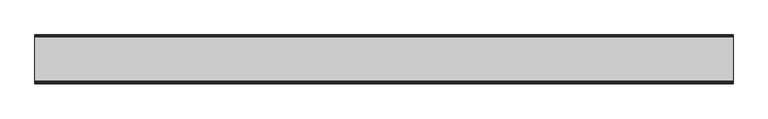
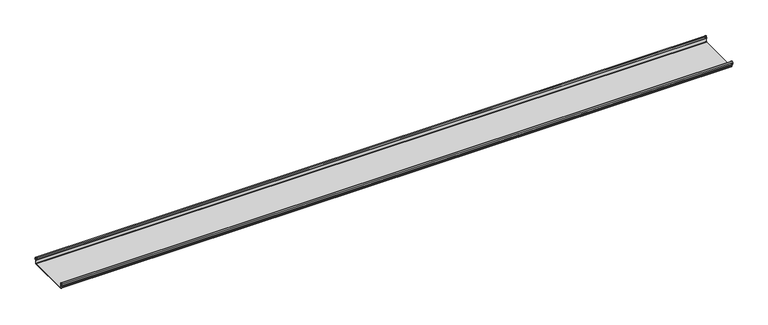
"""IFC4 building model written with IfcOpenShell, lengths in millimetres: beam geometry."""

from ifc_helpers import new_model, si_unit, frame, origin, place, context, project, spatial, polyline, circle_curve, source, transform, mapped, element, save
from ifc_brep_helpers import plane_surface, cylinder_surface, revolved_surface, advanced_brep


def beam_ff98afdf(model_context):
    return source(origin(), model_context, "Body", "AdvancedBrep", [
        advanced_brep(
        [(2535.0, 174.5298471, 17.4730576), (2535.0, 169.9958217, 21.2486363), (2535.0, 165.4890072, 17.6093124), (2535.0, 163.0420077, 6.2503755), (2535.0, 164.7006671, 3.7959761), (2535.0, 165.8698319, 2.0849359), (2535.0, 164.3793103, -21.3247551), (2535.0, 160.6848586, -24.7896475), (2535.0, -159.5640942, -24.7896475), (2535.0, -163.2568715, -21.3207217), (2535.0, -164.7263748, 2.1632779), (2535.0, -164.0984471, 3.0966958), (2535.0, -161.8868093, 6.1624874), (2535.0, -162.770348, 17.3389905), (2535.0, -170.0, 24.0196704), (2535.0, -177.229652, 17.3389905), (2535.0, -178.1131907, 6.1624874), (2535.0, -175.9015529, 3.0966958), (2535.0, -175.2736252, 2.1632779), (2535.0, -175.6653397, -4.0966758), (2535.0, -174.6633838, -4.0966758), (2535.0, -174.255975, 2.4140875), (2535.0, -175.661391, 4.0675496), (2535.0, -177.1158116, 6.08368), (2535.0, -176.2261211, 17.3379999), (2535.0, -170.0, 23.0196704), (2535.0, -163.767144, 17.2589936), (2535.0, -162.8795452, 6.0037927), (2535.0, -164.338609, 4.0675496), (2535.0, -165.744025, 2.4140875), (2535.0, -164.2549195, -21.3831743), (2535.0, -159.5640942, -25.7896475), (2535.0, 160.6846135, -25.7896475), (2535.0, 165.3772895, -21.3882975), (2535.0, 166.868024, 2.0247376), (2535.0, 164.9644432, 4.7613501), (2535.0, 164.0277999, 6.0779003), (2535.0, 166.4434849, 17.2822335), (2535.0, 170.0063307, 20.2496221), (2535.0, 173.4803249, 17.6539317), (2535.0, 175.5075757, 6.5459412), (2535.0, 176.5074356, 6.7299959), (-2535.0, 174.5298471, 17.4730576), (-2535.0, 176.5074356, 6.7299959), (-2535.0, 175.5075757, 6.5459412), (-2535.0, 173.4803249, 17.6539317), (-2535.0, 170.0063307, 20.2496221), (-2535.0, 166.4434849, 17.2822335), (-2535.0, 164.0277999, 6.0779003), (-2535.0, 164.9644432, 4.7613501), (-2535.0, 166.868024, 2.0247376), (-2535.0, 165.3772895, -21.3882975), (-2535.0, 160.6846135, -25.7896475), (-2535.0, -159.5640942, -25.7896475), (-2535.0, -164.2549195, -21.3831743), (-2535.0, -165.744025, 2.4140875), (-2535.0, -164.338609, 4.0675496), (-2535.0, -162.8795452, 6.0037927), (-2535.0, -163.767144, 17.2589936), (-2535.0, -170.0, 23.0196704), (-2535.0, -176.2261211, 17.3379999), (-2535.0, -177.1158116, 6.08368), (-2535.0, -175.661391, 4.0675496), (-2535.0, -174.255975, 2.4140875), (-2535.0, -174.6633838, -4.0966758), (-2535.0, -175.6653397, -4.0966758), (-2535.0, -175.2736252, 2.1632779), (-2535.0, -175.9015529, 3.0966958), (-2535.0, -178.1066021, 6.2458324), (-2535.0, -177.229652, 17.3389905), (-2535.0, -170.0, 24.0196704), (-2535.0, -162.770348, 17.3389905), (-2535.0, -161.8868093, 6.1624874), (-2535.0, -164.0984471, 3.0966958), (-2535.0, -164.7263748, 2.1632779), (-2535.0, -163.2568715, -21.3207217), (-2535.0, -159.5640942, -24.7896475), (-2535.0, 160.6848586, -24.7896475), (-2535.0, 164.3793103, -21.3247551), (-2535.0, 165.8698319, 2.0849359), (-2535.0, 164.7006671, 3.7959761), (-2535.0, 163.0420077, 6.2503755), (-2535.0, 165.4890072, 17.6093124), (-2535.0, 169.9958217, 21.2486363)],
        [
            (0, 1, circle_curve(frame((2535.0, 169.9958217, 16.6384317), z_axis=(1.0, 0.0, 0.0), x_axis=(0.0, 1.0, 0.0)), 4.6102046)),
            (1, 2, circle_curve(frame((2535.0, 169.9958217, 16.6384317), z_axis=(1.0, 0.0, 0.0), x_axis=(0.0, 0.2105938444020083, 0.9775736456656259)), 4.6102046)),
            (2, 3),
            (3, 4, circle_curve(frame((2535.0, 165.4262002, 6.073937), z_axis=(1.0, 0.0, 0.0), x_axis=(0.0, -0.9528378408797884, 0.30347989881958104)), 2.3907121)),
            (4, 5, circle_curve(frame((2535.0, 164.1897695, 2.1919074), z_axis=(-1.0, 0.0, 0.0), x_axis=(0.0, 0.06354246328302078, 0.9979791357337717)), 1.6834645)),
            (5, 6),
            (6, 7, circle_curve(frame((2535.0, 160.6867875, -21.089648), z_axis=(-1.0, 0.0, 0.0), x_axis=(0.0, 0.9999998641088232, -0.0005213274739325337)), 3.7)),
            (7, 8),
            (8, 9, circle_curve(frame((2535.0, -159.5640942, -21.0896475), z_axis=(-1.0, 0.0, 0.0), x_axis=(0.0, 0.062452508687223206, -0.9980479368039755)), 3.7)),
            (9, 10),
            (10, 11, circle_curve(frame((2535.0, -163.8044049, 2.2209698), z_axis=(-1.0, 0.0, 0.0), x_axis=(0.0, -0.9479881328261025, -0.31830567073314897)), 0.9237732)),
            (11, 12, circle_curve(frame((2535.0, -164.7984694, 5.9323112), z_axis=(1.0, 0.0, 0.0), x_axis=(0.0, 0.07880737243916666, -0.9968898625471294)), 2.9207441)),
            (12, 13),
            (13, 14, circle_curve(frame((2535.0, -170.0, 16.7674631), z_axis=(1.0, 0.0, 0.0), x_axis=(0.0, 1.0, 0.0)), 7.2522073)),
            (14, 15, circle_curve(frame((2535.0, -170.0, 16.7674631), z_axis=(1.0, 0.0, 0.0), x_axis=(0.0, 0.07880737243912425, 0.9968898625471327)), 7.2522073)),
            (15, 16),
            (16, 17, circle_curve(frame((2535.0, -175.2001089, 5.9344165), z_axis=(1.0, 0.0, 0.0), x_axis=(0.0, -0.9707819351134729, 0.2399634023290655)), 2.9231288)),
            (17, 18, circle_curve(frame((2535.0, -176.1025472, 2.2835649), z_axis=(-1.0, 0.0, 0.0), x_axis=(0.0, 0.14360843272178178, 0.9896345881441257)), 0.8376041)),
            (18, 19),
            (19, 20, circle_curve(frame((2535.0, -175.1643617, -4.0966758), z_axis=(1.0, 0.0, 0.0), x_axis=(0.0, 0.0, -1.0)), 0.5009779)),
            (20, 21),
            (21, 22, circle_curve(frame((2535.0, -176.1062911, 2.2653702), z_axis=(1.0, 0.0, 0.0), x_axis=(0.0, 0.9708537722163966, -0.23967259537375799)), 1.856283)),
            (22, 23, circle_curve(frame((2535.0, -175.2010412, 5.9323112), z_axis=(-1.0, 0.0, 0.0), x_axis=(0.0, -0.07880737243914376, -0.9968898625471312)), 1.9207441)),
            (23, 24),
            (24, 25, circle_curve(frame((2535.0, -170.0770494, 16.8518958), z_axis=(-1.0, 0.0, 0.0), x_axis=(0.0, -0.9999219808421378, 0.012491286112139365)), 6.1682558)),
            (25, 26, circle_curve(frame((2535.0, -170.0791743, 16.6817991), z_axis=(-1.0, 0.0, 0.0), x_axis=(0.0, -0.09106361391821856, 0.9958450774192508)), 6.3383658)),
            (26, 27),
            (27, 28, circle_curve(frame((2535.0, -164.70299, 5.8599936), z_axis=(-1.0, 0.0, 0.0), x_axis=(0.0, 0.9799562955839813, 0.19921259685401593)), 1.8291061)),
            (28, 29, circle_curve(frame((2535.0, -163.9886548, 2.3460727), z_axis=(1.0, 0.0, 0.0), x_axis=(0.0, 0.03871763325448635, 0.9992501913310655)), 1.7566874)),
            (29, 30),
            (30, 31, circle_curve(frame((2535.0, -159.5640942, -21.0896475), z_axis=(1.0, 0.0, 0.0), x_axis=(0.0, -1.0, 0.0)), 4.7)),
            (31, 32),
            (32, 33, circle_curve(frame((2535.0, 160.6846135, -21.0873301), z_axis=(1.0, 0.0, 0.0), x_axis=(0.0, -0.06400407594283139, -0.997949637137418)), 4.7023174)),
            (33, 34),
            (34, 35, circle_curve(frame((2535.0, 164.1939121, 2.1950013), z_axis=(1.0, 0.0, 0.0), x_axis=(0.0, 0.9577619201002135, -0.2875623487279797)), 2.6795268)),
            (35, 36, circle_curve(frame((2535.0, 165.0972859, 5.8473161), z_axis=(-1.0, 0.0, 0.0), x_axis=(0.0, -0.210759855052358, -0.9775378680635902)), 1.094061)),
            (36, 37),
            (37, 38, circle_curve(frame((2535.0, 170.0063307, 16.627032), z_axis=(-1.0, 0.0, 0.0), x_axis=(0.0, -1.0, 0.0)), 3.6225901)),
            (38, 39, circle_curve(frame((2535.0, 170.0063307, 16.627032), z_axis=(-1.0, 0.0, 0.0), x_axis=(0.0, -0.2834711363957483, 0.9589807687490417)), 3.6225901)),
            (39, 40),
            (40, 41, circle_curve(frame((2535.0, 176.0075057, 6.6379685), z_axis=(1.0, 0.0, 0.0), x_axis=(0.0, 0.18103878268247353, -0.9834759575937014)), 0.5083296)),
            (41, 0),
            (42, 43),
            (43, 44, circle_curve(frame((-2535.0, 176.0075057, 6.6379685), z_axis=(-1.0, 0.0, 0.0), x_axis=(0.0, 0.18103878268247353, -0.9834759575937014)), 0.5083296)),
            (44, 45),
            (45, 46, circle_curve(frame((-2535.0, 170.0063307, 16.627032), z_axis=(1.0, 0.0, 0.0), x_axis=(0.0, -0.2834711363957483, 0.9589807687490417)), 3.6225901)),
            (46, 47, circle_curve(frame((-2535.0, 170.0063307, 16.627032), z_axis=(1.0, 0.0, 0.0), x_axis=(0.0, -1.0, 0.0)), 3.6225901)),
            (47, 48),
            (48, 49, circle_curve(frame((-2535.0, 165.0972859, 5.8473161), z_axis=(1.0, 0.0, 0.0), x_axis=(0.0, -0.210759855052358, -0.9775378680635902)), 1.094061)),
            (49, 50, circle_curve(frame((-2535.0, 164.1939121, 2.1950013), z_axis=(-1.0, 0.0, 0.0), x_axis=(0.0, 0.9577619201002135, -0.2875623487279797)), 2.6795268)),
            (50, 51),
            (51, 52, circle_curve(frame((-2535.0, 160.6846135, -21.0873301), z_axis=(-1.0, 0.0, 0.0), x_axis=(0.0, -0.06400407594283139, -0.997949637137418)), 4.7023174)),
            (52, 53),
            (53, 54, circle_curve(frame((-2535.0, -159.5640942, -21.0896475), z_axis=(-1.0, 0.0, 0.0), x_axis=(0.0, -1.0, 0.0)), 4.7)),
            (54, 55),
            (55, 56, circle_curve(frame((-2535.0, -163.9886548, 2.3460727), z_axis=(-1.0, 0.0, 0.0), x_axis=(0.0, 0.03871763325448635, 0.9992501913310655)), 1.7566874)),
            (56, 57, circle_curve(frame((-2535.0, -164.70299, 5.8599936), z_axis=(1.0, 0.0, 0.0), x_axis=(0.0, 0.9799562955839813, 0.19921259685401593)), 1.8291061)),
            (57, 58),
            (58, 59, circle_curve(frame((-2535.0, -170.0791743, 16.6817991), z_axis=(1.0, 0.0, 0.0), x_axis=(0.0, -0.09106361391821856, 0.9958450774192508)), 6.3383658)),
            (59, 60, circle_curve(frame((-2535.0, -170.0770494, 16.8518958), z_axis=(1.0, 0.0, 0.0), x_axis=(0.0, -0.9999219808421378, 0.012491286112139365)), 6.1682558)),
            (60, 61),
            (61, 62, circle_curve(frame((-2535.0, -175.2010412, 5.9323112), z_axis=(1.0, 0.0, 0.0), x_axis=(0.0, -0.07880737243914376, -0.9968898625471312)), 1.9207441)),
            (62, 63, circle_curve(frame((-2535.0, -176.1062911, 2.2653702), z_axis=(-1.0, 0.0, 0.0), x_axis=(0.0, 0.9708537722163966, -0.23967259537375799)), 1.856283)),
            (63, 64),
            (64, 65, circle_curve(frame((-2535.0, -175.1643617, -4.0966758), z_axis=(-1.0, 0.0, 0.0), x_axis=(0.0, 0.0, -1.0)), 0.5009779)),
            (65, 66),
            (66, 67, circle_curve(frame((-2535.0, -176.1025472, 2.2835649), z_axis=(1.0, 0.0, 0.0), x_axis=(0.0, 0.14360843272178178, 0.9896345881441257)), 0.8376041)),
            (67, 68, circle_curve(frame((-2535.0, -175.2001089, 5.9344165), z_axis=(-1.0, 0.0, 0.0), x_axis=(0.0, -0.9707819351134729, 0.2399634023290655)), 2.9231288)),
            (68, 69),
            (69, 70, circle_curve(frame((-2535.0, -170.0, 16.7674631), z_axis=(-1.0, 0.0, 0.0), x_axis=(0.0, 0.07880737243912425, 0.9968898625471327)), 7.2522073)),
            (70, 71, circle_curve(frame((-2535.0, -170.0, 16.7674631), z_axis=(-1.0, 0.0, 0.0), x_axis=(0.0, 1.0, 0.0)), 7.2522073)),
            (71, 72),
            (72, 73, circle_curve(frame((-2535.0, -164.7984694, 5.9323112), z_axis=(-1.0, 0.0, 0.0), x_axis=(0.0, 0.07880737243916666, -0.9968898625471294)), 2.9207441)),
            (73, 74, circle_curve(frame((-2535.0, -163.8044049, 2.2209698), z_axis=(1.0, 0.0, 0.0), x_axis=(0.0, -0.9479881328261025, -0.31830567073314897)), 0.9237732)),
            (74, 75),
            (75, 76, circle_curve(frame((-2535.0, -159.5640942, -21.0896475), z_axis=(1.0, 0.0, 0.0), x_axis=(0.0, 0.062452508687223206, -0.9980479368039755)), 3.7)),
            (76, 77),
            (77, 78, circle_curve(frame((-2535.0, 160.6867875, -21.089648), z_axis=(1.0, 0.0, 0.0), x_axis=(0.0, 0.9999998641088232, -0.0005213274739325337)), 3.7)),
            (78, 79),
            (79, 80, circle_curve(frame((-2535.0, 164.1897695, 2.1919074), z_axis=(1.0, 0.0, 0.0), x_axis=(0.0, 0.06354246328302078, 0.9979791357337717)), 1.6834645)),
            (80, 81, circle_curve(frame((-2535.0, 165.4262002, 6.073937), z_axis=(-1.0, 0.0, 0.0), x_axis=(0.0, -0.9528378408797884, 0.30347989881958104)), 2.3907121)),
            (81, 82),
            (82, 83, circle_curve(frame((-2535.0, 169.9958217, 16.6384317), z_axis=(-1.0, 0.0, 0.0), x_axis=(0.0, 0.2105938444020083, 0.9775736456656259)), 4.6102046)),
            (83, 42, circle_curve(frame((-2535.0, 169.9958217, 16.6384317), z_axis=(-1.0, 0.0, 0.0), x_axis=(0.0, 1.0, 0.0)), 4.6102046)),
            (42, 0),
            (41, 43),
            (40, 44),
            (39, 45),
            (38, 46),
            (37, 47),
            (36, 48),
            (35, 49),
            (34, 50),
            (33, 51),
            (32, 52),
            (31, 53),
            (30, 54),
            (29, 55),
            (28, 56),
            (27, 57),
            (26, 58),
            (25, 59),
            (24, 60),
            (23, 61),
            (22, 62),
            (21, 63),
            (20, 64),
            (19, 65),
            (18, 66),
            (17, 67),
            (16, 68),
            (15, 69),
            (14, 70),
            (13, 71),
            (12, 72),
            (11, 73),
            (10, 74),
            (9, 75),
            (8, 76),
            (7, 77),
            (6, 78),
            (5, 79),
            (4, 80),
            (3, 81),
            (2, 82),
            (1, 83),
        ],
        [
            plane_surface(frame((2535.0, 176.5074356, 6.7299959), z_axis=(1.0000000000000002, 0.0, 0.0), x_axis=(0.0, -0.18103878268248824, 0.9834759575936989))),
            plane_surface(frame((-2535.0, 176.5074356, 6.7299959), z_axis=(-1.0000000000000002, 0.0, 0.0), x_axis=(0.0, 0.18103878268248824, -0.9834759575936989))),
            plane_surface(frame((2535.0, 175.5186413, 12.1015267), z_axis=(0.0, 0.9834759575937931, 0.18103878268197598), x_axis=(0.0, 0.18103878268197598, -0.9834759575937931))),
            cylinder_surface(frame((2535.0, 176.0075057, 6.6379685), z_axis=(-1.0, 0.0, 0.0), x_axis=(0.0, 0.18103878268247353, -0.9834759575937014)), 0.5083296),
            plane_surface(frame((2535.0, 174.4939503, 12.0999365), z_axis=(0.0, -0.9837509798366516, -0.17953832368168063), x_axis=(0.0, -0.17953832368168063, 0.9837509798366516))),
            revolved_surface(polyline([(-2535.0, 168.979430967657, 20.101026238960667), (2535.0, 168.979430967657, 20.101026238960667)]), (2535.0, 170.0063307, 16.627032), (-1.0, 0.0, 0.0)),
            revolved_surface(polyline([(-2535.0, 166.3837406, 16.627032), (2535.0, 166.3837406, 16.627032)]), (2535.0, 170.0063307, 16.627032), (-1.0, 0.0, 0.0)),
            plane_surface(frame((2535.0, 165.2356424, 11.6800669), z_axis=(0.0, 0.9775378680634891, -0.2107598550528272), x_axis=(0.0, -0.2107598550528272, -0.9775378680634891))),
            revolved_surface(polyline([(-2535.0, 164.86670176222157, 4.77783004252848), (2535.0, 164.86670176222157, 4.77783004252848)]), (2535.0, 165.0972859, 5.8473161), (-1.0, 0.0, 0.0)),
            cylinder_surface(frame((2535.0, 164.1939121, 2.1950013), z_axis=(-1.0, 0.0, 0.0), x_axis=(0.0, 0.9577619201002135, -0.2875623487279797)), 2.6795268),
            plane_surface(frame((2535.0, 166.1226567, -9.68178), z_axis=(0.0, 0.9979791357337514, -0.06354246328334037), x_axis=(0.0, -0.06354246328334037, -0.9979791357337514))),
            cylinder_surface(frame((2535.0, 160.6846135, -21.0873301), z_axis=(-1.0, 0.0, 0.0), x_axis=(0.0, -0.06400407594283139, -0.997949637137418)), 4.7023174),
            plane_surface(frame((2535.0, 0.5602597, -25.7896475), z_axis=(0.0, 0.0, -1.0), x_axis=(0.0, -1.0, 0.0))),
            cylinder_surface(frame((2535.0, -159.5640942, -21.0896475), z_axis=(-1.0, 0.0, 0.0), x_axis=(0.0, -1.0, 0.0)), 4.7),
            plane_surface(frame((2535.0, -164.9994722, -9.4845434), z_axis=(0.0, -0.99804793680396, -0.06245250868747398), x_axis=(0.0, -0.06245250868747398, 0.99804793680396))),
            cylinder_surface(frame((2535.0, -163.9886548, 2.3460727), z_axis=(-1.0, 0.0, 0.0), x_axis=(0.0, 0.03871763325448635, 0.9992501913310655)), 1.7566874),
            revolved_surface(polyline([(-2535.0, -162.91054596201394, 6.224374576102521), (2535.0, -162.91054596201394, 6.224374576102521)]), (2535.0, -164.70299, 5.8599936), (-1.0, 0.0, 0.0)),
            plane_surface(frame((2535.0, -163.3233446, 11.6313931), z_axis=(0.0, -0.9969048840807634, -0.07861712342689589), x_axis=(0.0, -0.07861712342689589, 0.9969048840807634))),
            revolved_surface(polyline([(-2535.0, -170.65636879608365, 22.99382948081253), (2535.0, -170.65636879608365, 22.99382948081253)]), (2535.0, -170.0791743, 16.6817991), (-1.0, 0.0, 0.0)),
            revolved_surface(polyline([(-2535.0, -176.244823957877, 16.928945248010663), (2535.0, -176.244823957877, 16.928945248010663)]), (2535.0, -170.0770494, 16.8518958), (-1.0, 0.0, 0.0)),
            plane_surface(frame((2535.0, -176.6709664, 11.71084), z_axis=(0.0, 0.9968898625470921, -0.07880737243963815), x_axis=(0.0, -0.07880737243963815, -0.9968898625470921))),
            revolved_surface(polyline([(-2535.0, -175.35240999564897, 4.017540878162787), (2535.0, -175.35240999564897, 4.017540878162787)]), (2535.0, -175.2010412, 5.9323112), (-1.0, 0.0, 0.0)),
            cylinder_surface(frame((2535.0, -176.1062911, 2.2653702), z_axis=(-1.0, 0.0, 0.0), x_axis=(0.0, 0.9708537722163966, -0.23967259537375799)), 1.856283),
            plane_surface(frame((2535.0, -174.4596794, -0.8412941), z_axis=(0.0, 0.9980479368039222, -0.06245250868807452), x_axis=(0.0, -0.06245250868807452, -0.9980479368039222))),
            cylinder_surface(frame((2535.0, -175.1643617, -4.0966758), z_axis=(-1.0, 0.0, 0.0), x_axis=(0.0, 0.0, -1.0)), 0.5009779),
            plane_surface(frame((2535.0, -175.4694824, -0.9666989), z_axis=(0.0, -0.9980479368040358, 0.06245250868626084), x_axis=(0.0, 0.06245250868626084, 0.9980479368040358))),
            revolved_surface(polyline([(-2535.0, -175.98226018795768, 3.112486888531331), (2535.0, -175.98226018795768, 3.112486888531331)]), (2535.0, -176.1025472, 2.2835649), (-1.0, 0.0, 0.0)),
            cylinder_surface(frame((2535.0, -175.2001089, 5.9344165), z_axis=(-1.0, 0.0, 0.0), x_axis=(0.0, -0.9707819351134729, 0.2399634023290655)), 2.9231288),
            plane_surface(frame((2535.0, -177.6714214, 11.7507389), z_axis=(0.0, -0.9968898625471735, 0.07880737243860966), x_axis=(0.0, 0.07880737243860966, 0.9968898625471735))),
            cylinder_surface(frame((2535.0, -170.0, 16.7674631), z_axis=(-1.0, 0.0, 0.0), x_axis=(0.0, 0.07880737243912425, 0.9968898625471327)), 7.2522073),
            cylinder_surface(frame((2535.0, -170.0, 16.7674631), z_axis=(-1.0, 0.0, 0.0), x_axis=(0.0, 1.0, 0.0)), 7.2522073),
            plane_surface(frame((2535.0, -162.3285786, 11.7507389), z_axis=(0.0, 0.9968898625471712, 0.07880737243863836), x_axis=(0.0, 0.07880737243863836, -0.9968898625471712))),
            cylinder_surface(frame((2535.0, -164.7984694, 5.9323112), z_axis=(-1.0, 0.0, 0.0), x_axis=(0.0, 0.07880737243916666, -0.9968898625471294)), 2.9207441),
            revolved_surface(polyline([(-2535.0, -164.6801309310228, 1.9269275519686928), (2535.0, -164.6801309310228, 1.9269275519686928)]), (2535.0, -163.8044049, 2.2209698), (-1.0, 0.0, 0.0)),
            plane_surface(frame((2535.0, -163.9916232, -9.5787219), z_axis=(0.0, 0.9980479368039906, 0.0624525086869835), x_axis=(0.0, 0.0624525086869835, -0.9980479368039906))),
            revolved_surface(polyline([(-2535.0, -159.33301991785729, -24.78242486617471), (2535.0, -159.33301991785729, -24.78242486617471)]), (2535.0, -159.5640942, -21.0896475), (-1.0, 0.0, 0.0)),
            plane_surface(frame((2535.0, 0.5603822, -24.7896475), z_axis=(0.0, 0.0, 1.0), x_axis=(0.0, 1.0, 0.0))),
            revolved_surface(polyline([(-2535.0, 164.38678699720265, -21.09157691165355), (2535.0, 164.38678699720265, -21.09157691165355)]), (2535.0, 160.6867875, -21.089648), (-1.0, 0.0, 0.0)),
            plane_surface(frame((2535.0, 165.1245711, -9.6199096), z_axis=(0.0, -0.9979791357337828, 0.06354246328284598), x_axis=(0.0, 0.06354246328284598, 0.9979791357337828))),
            revolved_surface(polyline([(-2535.0, 164.29674098117954, 3.871969846748486), (2535.0, 164.29674098117954, 3.871969846748486)]), (2535.0, 164.1897695, 2.1919074), (-1.0, 0.0, 0.0)),
            cylinder_surface(frame((2535.0, 165.4262002, 6.073937), z_axis=(-1.0, 0.0, 0.0), x_axis=(0.0, -0.9528378408797884, 0.30347989881958104)), 2.3907121),
            plane_surface(frame((2535.0, 164.2655075, 11.929844), z_axis=(0.0, -0.9775736456657296, 0.21059384440152715), x_axis=(0.0, 0.21059384440152715, 0.9775736456657296))),
            cylinder_surface(frame((2535.0, 169.9958217, 16.6384317), z_axis=(-1.0, 0.0, 0.0), x_axis=(0.0, 0.2105938444020083, 0.9775736456656259)), 4.6102046),
            cylinder_surface(frame((2535.0, 169.9958217, 16.6384317), z_axis=(-1.0, 0.0, 0.0), x_axis=(0.0, 1.0, 0.0)), 4.6102046),
        ],
        [
            (0, [[1, 2, 3, 4, 5, 6, 7, 8, 9, 10, 11, 12, 13, 14, 15, 16, 17, 18, 19, 20, 21, 22, 23, 24, 25, 26, 27, 28, 29, 30, 31, 32, 33, 34, 35, 36, 37, 38, 39, 40, 41, 42]]),
            (1, [[43, 44, 45, 46, 47, 48, 49, 50, 51, 52, 53, 54, 55, 56, 57, 58, 59, 60, 61, 62, 63, 64, 65, 66, 67, 68, 69, 70, 71, 72, 73, 74, 75, 76, 77, 78, 79, 80, 81, 82, 83, 84]]),
            (2, [[-43, 85, -42, 86]]),
            (3, [[-44, -86, -41, 87]]),
            (4, [[-45, -87, -40, 88]]),
            (5, [[-46, -88, -39, 89]]),
            (6, [[-47, -89, -38, 90]]),
            (7, [[-48, -90, -37, 91]]),
            (8, [[-49, -91, -36, 92]]),
            (9, [[-50, -92, -35, 93]]),
            (10, [[-51, -93, -34, 94]]),
            (11, [[-52, -94, -33, 95]]),
            (12, [[-53, -95, -32, 96]]),
            (13, [[-54, -96, -31, 97]]),
            (14, [[-55, -97, -30, 98]]),
            (15, [[-56, -98, -29, 99]]),
            (16, [[-57, -99, -28, 100]]),
            (17, [[-58, -100, -27, 101]]),
            (18, [[-59, -101, -26, 102]]),
            (19, [[-60, -102, -25, 103]]),
            (20, [[-61, -103, -24, 104]]),
            (21, [[-62, -104, -23, 105]]),
            (22, [[-63, -105, -22, 106]]),
            (23, [[-64, -106, -21, 107]]),
            (24, [[-65, -107, -20, 108]]),
            (25, [[-66, -108, -19, 109]]),
            (26, [[-67, -109, -18, 110]]),
            (27, [[-68, -110, -17, 111]]),
            (28, [[-69, -111, -16, 112]]),
            (29, [[-70, -112, -15, 113]]),
            (30, [[-71, -113, -14, 114]]),
            (31, [[-72, -114, -13, 115]]),
            (32, [[-73, -115, -12, 116]]),
            (33, [[-74, -116, -11, 117]]),
            (34, [[-75, -117, -10, 118]]),
            (35, [[-76, -118, -9, 119]]),
            (36, [[-77, -119, -8, 120]]),
            (37, [[-78, -120, -7, 121]]),
            (38, [[-79, -121, -6, 122]]),
            (39, [[-80, -122, -5, 123]]),
            (40, [[-81, -123, -4, 124]]),
            (41, [[-82, -124, -3, 125]]),
            (42, [[-83, -125, -2, 126]]),
            (43, [[-84, -126, -1, -85]]),
        ],
    ),
    ])


if __name__ == "__main__":
    model = new_model("IFC4")
    model_context = context("Model", 3, world=origin())
    ifc_project = project(units=[si_unit("LENGTHUNIT", "METRE", prefix="MILLI")], contexts=[model_context])
    site = spatial("IfcSite", under=ifc_project)
    building = spatial("IfcBuilding", under=site)
    placement = place(None, origin())
    beam_shape = beam_ff98afdf(model_context)
    element("IfcBeam", 1, at=placement, inside=building, context=model_context, shape_type="MappedRepresentation", body=[
        mapped(beam_shape, transform((0.0, 0.0, 0.0), x_axis=(1.0, 0.0, 0.0), y_axis=(0.0, 1.0, 0.0), z_axis=(0.0, 0.0, 1.0))),
    ])
    save(model, "model.ifc")
